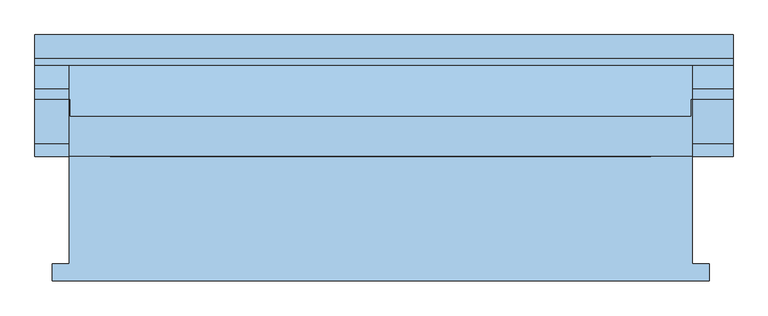
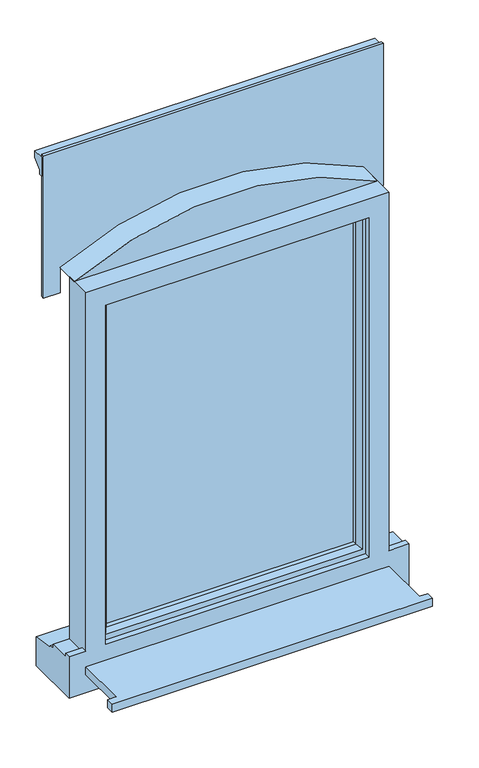
"""IFC4 building model written with IfcOpenShell, lengths in millimetres: window geometry."""

from ifc_helpers import new_model, si_unit, point, frame, frame_2d, origin, place, context, project, spatial, polyline, circle_curve, trimmed, segment, composite_curve, outline, extrude, faceted_brep, source, transform, mapped, element, save


def window_03ed56f2(model_context):
    return source(origin(), model_context, "Body", "SolidModel", [
        extrude(outline(polyline([(-480.0, -161.5434322), (-480.0, -136.5434322), (-455.0, -136.5434322), (-455.0, 20.4565678), (455.0, 20.4565678), (455.0, -136.5434322), (480.0, -136.5434322), (480.0, -161.5434322), (-480.0, -161.5434322)])), frame((0.0, 0.0, 900.0), z_axis=(0.0, 0.0, 1.0), x_axis=(1.0, 0.0, 0.0)), (0.0, 0.0, 1.0), 25.0),
        faceted_brep([(-455.0, 20.4565678, 2110.0), (-455.0, 20.4565678, 975.0), (-505.0, 20.4565678, 975.0), (-505.0, 20.4565678, 843.0), (515.0, 20.4565678, 843.0), (515.0, 20.4565678, 975.0), (455.0, 20.4565678, 975.0), (455.0, 20.4565678, 2110.0), (-395.0, 20.4565678, 2050.0), (395.0, 20.4565678, 2050.0), (395.0, 20.4565678, 975.0), (-395.0, 20.4565678, 975.0), (-455.0, 103.4565678, 2110.0), (-455.0, 103.4565678, 963.0), (-455.0, 38.4565678, 963.0), (-455.0, 38.4565678, 975.0), (455.0, 103.4565678, 2110.0), (455.0, 103.4565678, 963.0), (515.0, 103.4565678, 963.0), (515.0, 103.4565678, 951.0), (-505.0, 103.4565678, 951.0), (-505.0, 103.4565678, 963.0), (-415.0, 103.4565678, 2070.0), (-415.0, 103.4565678, 963.0), (415.0, 103.4565678, 963.0), (415.0, 103.4565678, 2070.0), (-415.0, 38.4565678, 2070.0), (-415.0, 38.4565678, 963.0), (-505.0, 38.4565678, 963.0), (-505.0, 38.4565678, 975.0), (515.0, 38.4565678, 975.0), (515.0, 38.4565678, 963.0), (455.0, 38.4565678, 963.0), (455.0, 38.4565678, 975.0), (415.0, 38.4565678, 2070.0), (415.0, 38.4565678, 963.0), (-395.0, 38.4565678, 2050.0), (-395.0, 38.4565678, 975.0), (395.0, 38.4565678, 975.0), (395.0, 38.4565678, 2050.0), (515.0, 190.9565678, 843.0), (515.0, 190.9565678, 933.8088847), (515.0, 118.4565678, 944.7449676), (515.0, 118.4565678, 949.68767), (-505.0, 118.4565678, 949.68767), (-505.0, 118.4565678, 944.7449676), (-505.0, 190.9565678, 933.8088847), (-505.0, 190.9565678, 843.0)], [[[0, 1, 2, 3, 4, 5, 6, 7], [8, 9, 10, 11]], [[0, 12, 13, 14, 15, 1]], [[13, 12, 16, 17, 18, 19, 20, 21], [22, 23, 24, 25]], [[23, 22, 26, 27]], [[28, 29, 15, 14]], [[30, 31, 32, 33]], [[26, 34, 35, 27], [36, 37, 38, 39]], [[36, 8, 11, 37]], [[0, 7, 16, 12]], [[22, 25, 34, 26]], [[9, 8, 36, 39]], [[17, 16, 7, 6, 33, 32]], [[25, 24, 35, 34]], [[9, 39, 38, 10]], [[5, 4, 40, 41, 42, 43, 19, 18, 31, 30]], [[2, 29, 28, 21, 20, 44, 45, 46, 47, 3]], [[40, 4, 3, 47]], [[41, 40, 47, 46]], [[42, 41, 46, 45]], [[43, 42, 45, 44]], [[19, 43, 44, 20]], [[27, 35, 24, 23]], [[31, 18, 17, 32]], [[21, 28, 14, 13]], [[11, 10, 38, 37]], [[5, 30, 33, 6]], [[29, 2, 1, 15]]]),
        extrude(outline(polyline([(385.0, 67.4565678), (-385.0, 67.4565678), (-385.0, 91.4565678), (385.0, 91.4565678), (385.0, 67.4565678)])), frame((0.0, 0.0, 993.0), z_axis=(0.0, 0.0, 1.0), x_axis=(1.0, 0.0, 0.0)), (0.0, 0.0, 1.0), 1047.0),
        faceted_brep([(-425.0, 103.4565678, 2080.0), (-425.0, 111.7300705, 2080.0), (-425.0, 111.7300705, 953.0), (-425.0, 103.4565678, 953.0), (-415.0, 38.4565678, 2070.0), (-415.0, 103.4565678, 2070.0), (-415.0, 103.4565678, 963.0), (-415.0, 38.4565678, 963.0), (-375.0, 52.9494677, 2030.0), (-385.1480377, 38.4565678, 2040.1480377), (-385.1480377, 38.4565678, 992.8519623), (-375.0, 52.9494677, 1003.0), (-375.0, 67.4565678, 2030.0), (-375.0, 67.4565678, 1003.0), (-385.0, 91.4565678, 2040.0), (-385.0, 67.4565678, 2040.0), (-385.0, 67.4565678, 993.0), (-385.0, 91.4565678, 993.0), (-375.0, 109.2300705, 2030.0), (-375.0, 91.4565678, 2030.0), (-375.0, 91.4565678, 1003.0), (-375.0, 109.2300705, 1003.0), (-392.4457548, 120.0035732, 2047.4457548), (-392.4457548, 120.0035732, 985.5542452), (-414.2153903, 120.0035732, 2069.2153903), (-414.2153903, 120.0035732, 963.7846097), (425.0, 111.7300705, 953.0), (425.0, 103.4565678, 953.0), (415.0, 103.4565678, 963.0), (415.0, 38.4565678, 963.0), (385.1480377, 38.4565678, 992.8519623), (375.0, 52.9494677, 1003.0), (375.0, 67.4565678, 1003.0), (385.0, 67.4565678, 993.0), (385.0, 91.4565678, 993.0), (375.0, 91.4565678, 1003.0), (375.0, 109.2300705, 1003.0), (392.4457548, 120.0035732, 985.5542452), (414.2153903, 120.0035732, 963.7846097), (425.0, 111.7300705, 2080.0), (425.0, 103.4565678, 2080.0), (415.0, 103.4565678, 2070.0), (415.0, 38.4565678, 2070.0), (385.1480377, 38.4565678, 2040.1480377), (375.0, 52.9494677, 2030.0), (375.0, 67.4565678, 2030.0), (385.0, 67.4565678, 2040.0), (385.0, 91.4565678, 2040.0), (375.0, 91.4565678, 2030.0), (375.0, 109.2300705, 2030.0), (392.4457548, 120.0035732, 2047.4457548), (414.2153903, 120.0035732, 2069.2153903)], [[[0, 1, 2, 3]], [[4, 5, 6, 7]], [[8, 9, 10, 11]], [[12, 8, 11, 13]], [[14, 15, 16, 17]], [[18, 19, 20, 21]], [[22, 18, 21, 23]], [[1, 24, 25, 2]], [[3, 2, 26, 27]], [[7, 6, 28, 29]], [[11, 10, 30, 31]], [[13, 11, 31, 32]], [[17, 16, 33, 34]], [[21, 20, 35, 36]], [[23, 21, 36, 37]], [[2, 25, 38, 26]], [[27, 26, 39, 40]], [[29, 28, 41, 42]], [[31, 30, 43, 44]], [[32, 31, 44, 45]], [[34, 33, 46, 47]], [[36, 35, 48, 49]], [[37, 36, 49, 50]], [[26, 38, 51, 39]], [[40, 39, 1, 0]], [[3, 27, 40, 0], [5, 41, 28, 6]], [[42, 41, 5, 4]], [[7, 29, 42, 4], [9, 43, 30, 10]], [[44, 43, 9, 8]], [[45, 44, 8, 12]], [[15, 46, 33, 16], [13, 32, 45, 12]], [[47, 46, 15, 14]], [[17, 34, 47, 14], [19, 48, 35, 20]], [[49, 48, 19, 18]], [[50, 49, 18, 22]], [[24, 51, 38, 25], [23, 37, 50, 22]], [[39, 51, 24, 1]]]),
        extrude(outline(polyline([(163.1390049, 2410.0), (163.1390049, 2470.0), (197.8877422, 2470.0), (197.8877422, 2449.7487373), (173.1390049, 2425.0), (173.1390049, 2410.0), (163.1390049, 2410.0)])), frame((-505.0, 0.0, 0.0), z_axis=(1.0, 0.0, 0.0), x_axis=(0.0, 1.0, 0.0)), (0.0, 0.0, 1.0), 1020.0),
        extrude(outline(composite_curve([segment(polyline([(2110.0, -455.0), (2110.0, 455.0)]), True, "CONTINUOUS"), segment(trimmed(circle_curve(frame_2d((1270.6732354, 0.0)), 954.7221678), [point((2110.0, 455.0))], [point((2110.0, -455.0))], False, "CARTESIAN"), True, "CONTINUOUS")], self_intersect=False)), frame((0.0, 79.3266096, 0.0), z_axis=(0.0, 1.0, 0.0), x_axis=(0.0, 0.0, 1.0)), (0.0, 0.0, 1.0), 80.3363325),
        extrude(outline(composite_curve([segment(polyline([(2030.0, 515.0), (2480.0, 515.0), (2480.0, -505.0), (2030.0, -505.0), (2030.0, -455.0), (2110.0, -455.0)]), True, "CONTINUOUS"), segment(trimmed(circle_curve(frame_2d((680.6732354, 0.0)), 1500.0), [point((2110.0, -455.0))], [point((2110.0, 455.0))], True, "CARTESIAN"), True, "CONTINUOUS"), segment(polyline([(2110.0, 455.0), (2030.0, 455.0), (2030.0, 515.0)]), True, "CONTINUOUS")], self_intersect=False)), frame((0.0, 153.4565678, 0.0), z_axis=(0.0, 1.0, 0.0), x_axis=(0.0, 0.0, 1.0)), (0.0, 0.0, 1.0), 9.682437),
        extrude(outline(polyline([(1496.5, -375.0), (1496.5, 375.0), (2030.0, 375.0), (2030.0, -375.0), (1496.5, -375.0)]), holes=[polyline([(1960.7039769, -305.7039769), (1960.7039769, 305.7039769), (1565.7960231, 305.7039769), (1565.7960231, -305.7039769), (1960.7039769, -305.7039769)])]), frame((0.0, 103.4565678, 0.0), z_axis=(0.0, 1.0, 0.0), x_axis=(0.0, 0.0, 1.0)), (0.0, 0.0, 1.0), 11.5470054),
        extrude(outline(polyline([(985.800695, -390.0), (985.800695, 390.0), (1531.5, 390.0), (1531.5, -390.0), (985.800695, -390.0)]), holes=[polyline([(1461.5, -320.0), (1461.5, 320.0), (1055.800695, 320.0), (1055.800695, -320.0), (1461.5, -320.0)])]), frame((0.0, 115.0035732, 0.0), z_axis=(0.0, 1.0, 0.0), x_axis=(0.0, 0.0, 1.0)), (0.0, 0.0, 1.0), 15.9529946),
    ])


if __name__ == "__main__":
    model = new_model("IFC4")
    model_context = context("Model", 3, world=origin())
    ifc_project = project(units=[si_unit("LENGTHUNIT", "METRE", prefix="MILLI")], contexts=[model_context])
    site = spatial("IfcSite", under=ifc_project)
    building = spatial("IfcBuilding", under=site)
    placement = place(None, origin())
    window_shape = window_03ed56f2(model_context)
    element("IfcWindow", 1, at=placement, inside=building, context=model_context, shape_type="MappedRepresentation", body=[
        mapped(window_shape, transform((0.0, 0.0, 0.0), x_axis=(1.0, 0.0, 0.0), y_axis=(0.0, 1.0, 0.0), z_axis=(0.0, 0.0, 1.0))),
    ])
    save(model, "model.ifc")
